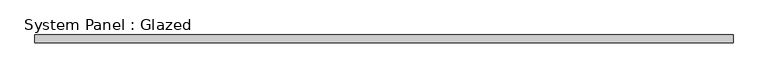
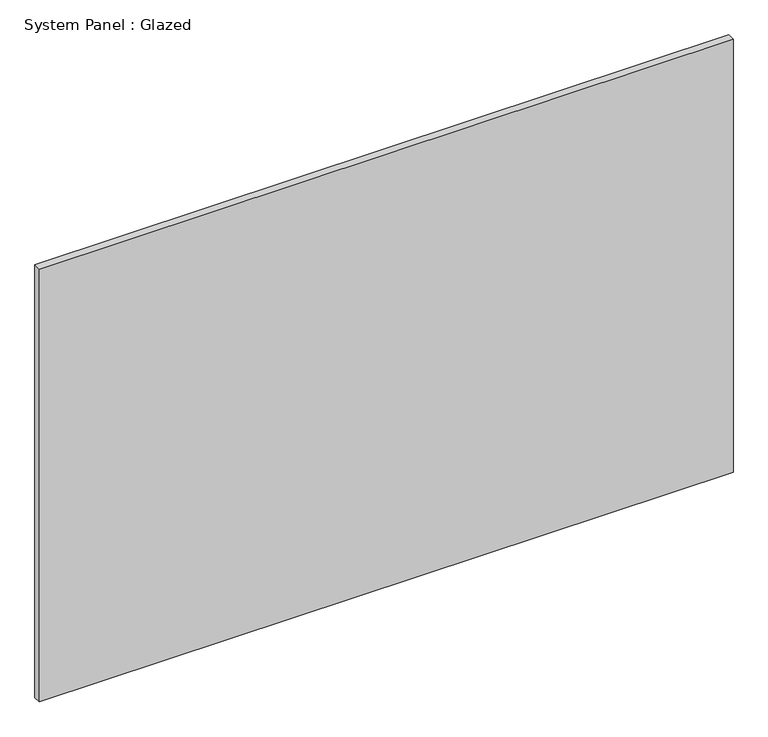
"""IFC4 building model written with IfcOpenShell, lengths in millimetres: plate geometry, System Panel : Glazed."""

from ifc_helpers import new_model, si_unit, origin, origin_with_axes, place, context, project, spatial, polyline, outline, extrude, source, transform, mapped, element, save


def system_panel_glazed_ced7036a(model_context):
    return source(origin(), model_context, "Body", "SweptSolid", [
        extrude(outline(polyline([(1136.8739148, -49.5), (-1136.8739148, -49.5), (-1136.8739148, -24.5), (1136.8739148, -24.5), (1136.8739148, -49.5)])), origin_with_axes(), (0.0, 0.0, 1.0), 1500.0),
    ])


if __name__ == "__main__":
    model = new_model("IFC4")
    model_context = context("Model", 3, world=origin())
    ifc_project = project(units=[si_unit("LENGTHUNIT", "METRE", prefix="MILLI")], contexts=[model_context])
    site = spatial("IfcSite", under=ifc_project)
    building = spatial("IfcBuilding", under=site)
    placement = place(None, origin())
    system_panel_glazed_shape = system_panel_glazed_ced7036a(model_context)
    element("IfcPlate", 1, ObjectType="System Panel : Glazed", at=placement, inside=building, context=model_context, shape_type="MappedRepresentation", body=[
        mapped(system_panel_glazed_shape, transform((0.0, 0.0, 0.0), x_axis=(1.0, 0.0, 0.0), y_axis=(0.0, 1.0, 0.0), z_axis=(0.0, 0.0, 1.0))),
    ])
    save(model, "model.ifc")
